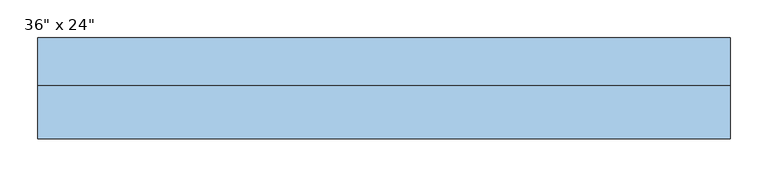
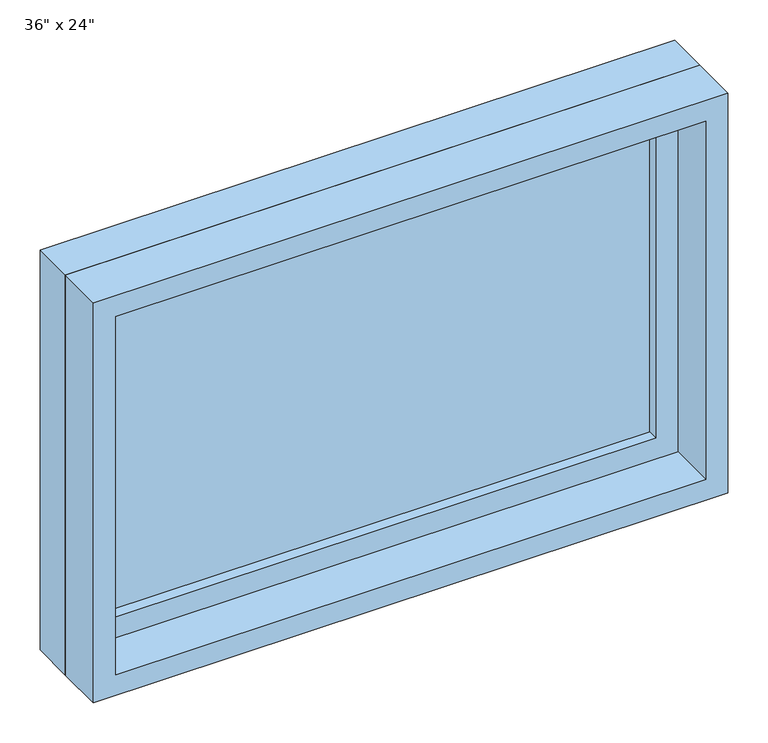
"""IFC4 building model written with IfcOpenShell, lengths in millimetres: window geometry."""

from ifc_helpers import new_model, si_unit, frame, origin, place, context, project, spatial, polyline, outline, extrude, source, transform, mapped, element, save


def window_72ef3954(model_context):
    return source(origin(), model_context, "Body", "SweptSolid", [
        extrude(outline(polyline([(355.6, 19.05), (-431.8, 19.05), (-431.8, 31.75), (355.6, 31.75), (355.6, 19.05)])), frame((0.0, 0.0, 2501.9), z_axis=(0.0, 0.0, 1.0), x_axis=(1.0, 0.0, 0.0)), (0.0, 0.0, 1.0), 482.6),
        extrude(outline(polyline([(3028.95, -476.25), (2457.45, -476.25), (2457.45, 400.05), (3028.95, 400.05), (3028.95, -476.25)]), holes=[polyline([(2984.5, -431.8), (2984.5, 355.6), (2501.9, 355.6), (2501.9, -431.8), (2984.5, -431.8)])]), frame((0.0, 3.175, 0.0), z_axis=(0.0, 1.0, 0.0), x_axis=(0.0, 0.0, 1.0)), (0.0, 0.0, 1.0), 44.45),
        extrude(outline(polyline([(3048.0, -495.3), (2438.4, -495.3), (2438.4, 419.1), (3048.0, 419.1), (3048.0, -495.3)]), holes=[polyline([(3016.25, -463.55), (3016.25, 387.35), (2470.15, 387.35), (2470.15, -463.55), (3016.25, -463.55)])]), frame((0.0, -66.675, 0.0), z_axis=(0.0, 1.0, 0.0), x_axis=(0.0, 0.0, 1.0)), (0.0, 0.0, 1.0), 69.85),
        extrude(outline(polyline([(3048.0, 419.1), (3048.0, -495.3), (2438.4, -495.3), (2438.4, 419.1), (3048.0, 419.1)]), holes=[polyline([(3028.95, 400.05), (2457.45, 400.05), (2457.45, -476.25), (3028.95, -476.25), (3028.95, 400.05)])]), frame((0.0, 3.175, 0.0), z_axis=(0.0, 1.0, 0.0), x_axis=(0.0, 0.0, 1.0)), (0.0, 0.0, 1.0), 63.5),
    ])


if __name__ == "__main__":
    model = new_model("IFC4")
    model_context = context("Model", 3, world=origin())
    ifc_project = project(units=[si_unit("LENGTHUNIT", "METRE", prefix="MILLI")], contexts=[model_context])
    site = spatial("IfcSite", under=ifc_project)
    building = spatial("IfcBuilding", under=site)
    placement = place(None, origin())
    window_shape = window_72ef3954(model_context)
    element("IfcWindow", 1, ObjectType="36\" x 24\"", at=placement, inside=building, context=model_context, shape_type="MappedRepresentation", body=[
        mapped(window_shape, transform((0.0, 0.0, 0.0), x_axis=(1.0, 0.0, 0.0), y_axis=(0.0, 1.0, 0.0), z_axis=(0.0, 0.0, 1.0))),
    ])
    save(model, "model.ifc")
